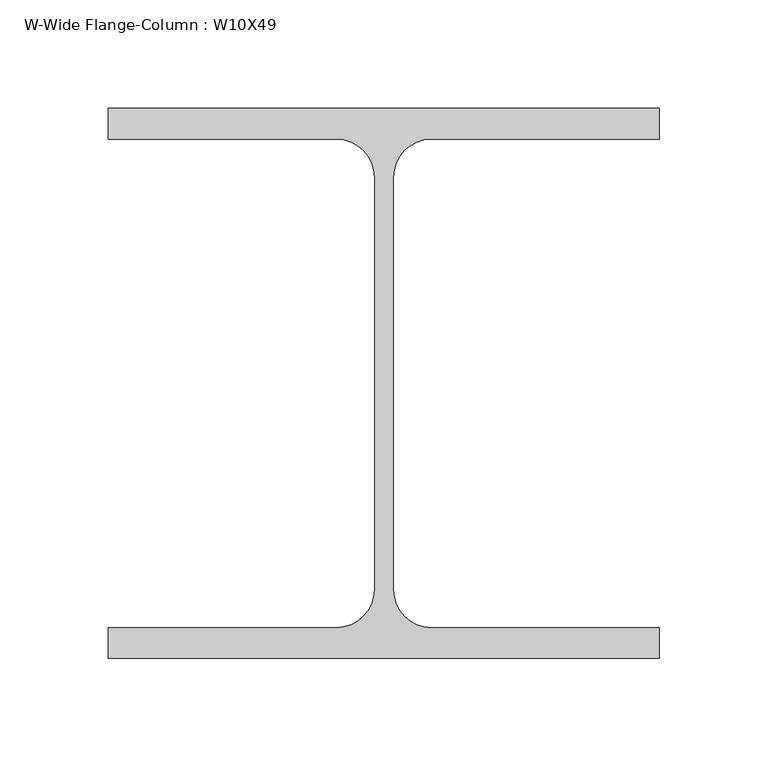
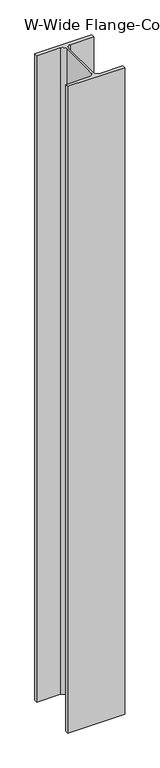
"""IFC4 building model written with IfcOpenShell, lengths in millimetres: column geometry, W-Wide Flange-Column : W10X49."""

from ifc_helpers import new_model, si_unit, point, frame_2d, origin, origin_with_axes, place, context, project, spatial, polyline, circle_curve, trimmed, segment, composite_curve, outline, extrude, source, transform, mapped, element, save


def w_wide_flange_column_w10x49_f24ffb9b(model_context):
    return source(origin(), model_context, "Body", "SweptSolid", [
        extrude(outline(composite_curve([segment(polyline([(127.0, 126.7519531), (127.0, 112.5636719), (21.8777344, 112.5636719)]), True, "CONTINUOUS"), segment(trimmed(circle_curve(frame_2d((21.8777344, 95.0019531)), 17.5617188), [point((21.8777344, 112.5636719))], [point((4.3160156, 95.0019531))], True, "CARTESIAN"), True, "CONTINUOUS"), segment(polyline([(4.3160156, 95.0019531), (4.3160156, -95.0019531)]), True, "CONTINUOUS"), segment(trimmed(circle_curve(frame_2d((21.8777344, -95.0019531)), 17.5617187), [point((4.3160156, -95.0019531))], [point((21.8777344, -112.5636719))], True, "CARTESIAN"), True, "CONTINUOUS"), segment(polyline([(21.8777344, -112.5636719), (127.0, -112.5636719), (127.0, -126.7519531), (-127.0, -126.7519531), (-127.0, -112.5636719), (-21.8777344, -112.5636719)]), True, "CONTINUOUS"), segment(trimmed(circle_curve(frame_2d((-21.8777344, -95.0019531)), 17.5617187), [point((-21.8777344, -112.5636719))], [point((-4.3160156, -95.0019531))], True, "CARTESIAN"), True, "CONTINUOUS"), segment(polyline([(-4.3160156, -95.0019531), (-4.3160156, 95.0019531)]), True, "CONTINUOUS"), segment(trimmed(circle_curve(frame_2d((-21.8777344, 95.0019531)), 17.5617188), [point((-4.3160156, 95.0019531))], [point((-21.8777344, 112.5636719))], True, "CARTESIAN"), True, "CONTINUOUS"), segment(polyline([(-21.8777344, 112.5636719), (-127.0, 112.5636719), (-127.0, 126.7519531), (127.0, 126.7519531)]), True, "CONTINUOUS")], self_intersect=False)), origin_with_axes(), (0.0, 0.0, 1.0), 3048.0),
    ])


if __name__ == "__main__":
    model = new_model("IFC4")
    model_context = context("Model", 3, world=origin())
    ifc_project = project(units=[si_unit("LENGTHUNIT", "METRE", prefix="MILLI")], contexts=[model_context])
    site = spatial("IfcSite", under=ifc_project)
    building = spatial("IfcBuilding", under=site)
    placement = place(None, origin())
    w_wide_flange_column_w10x49_shape = w_wide_flange_column_w10x49_f24ffb9b(model_context)
    element("IfcColumn", 1, ObjectType="W-Wide Flange-Column : W10X49", at=placement, inside=building, context=model_context, shape_type="MappedRepresentation", body=[
        mapped(w_wide_flange_column_w10x49_shape, transform((0.0, 0.0, 0.0), x_axis=(1.0, 0.0, 0.0), y_axis=(0.0, 1.0, 0.0), z_axis=(0.0, 0.0, 1.0))),
    ])
    save(model, "model.ifc")
